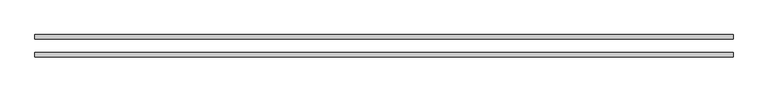
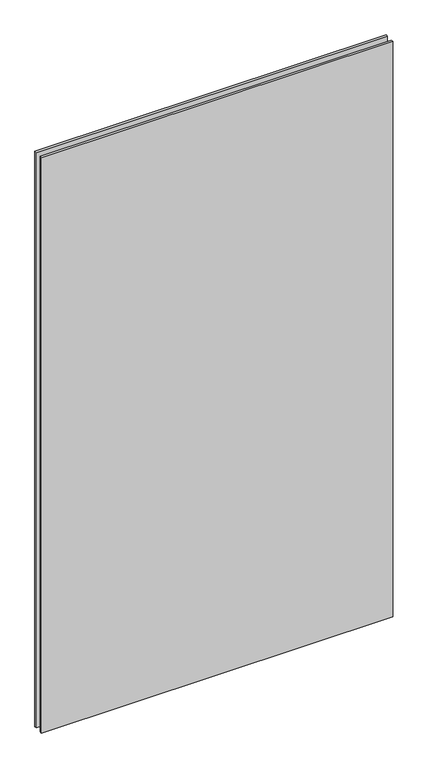
"""IFC4 building model written with IfcOpenShell, lengths in millimetres: plate geometry."""

from ifc_helpers import new_model, si_unit, origin, origin_with_axes, place, context, project, spatial, polyline, outline, extrude, source, transform, mapped, element, save


def plate_7201f238(model_context):
    return source(origin(), model_context, "Body", "SweptSolid", [
        extrude(outline(polyline([(625.0, -48.3), (-625.0, -48.3), (-625.0, -40.3), (625.0, -40.3), (625.0, -48.3)])), origin_with_axes(), (0.0, 0.0, 1.0), 2165.0),
        extrude(outline(polyline([(625.0, -16.3), (-625.0, -16.3), (-625.0, -8.3), (625.0, -8.3), (625.0, -16.3)])), origin_with_axes(), (0.0, 0.0, 1.0), 2165.0),
    ])


if __name__ == "__main__":
    model = new_model("IFC4")
    model_context = context("Model", 3, world=origin())
    ifc_project = project(units=[si_unit("LENGTHUNIT", "METRE", prefix="MILLI")], contexts=[model_context])
    site = spatial("IfcSite", under=ifc_project)
    building = spatial("IfcBuilding", under=site)
    placement = place(None, origin())
    plate_shape = plate_7201f238(model_context)
    element("IfcPlate", 1, at=placement, inside=building, context=model_context, shape_type="MappedRepresentation", body=[
        mapped(plate_shape, transform((0.0, 0.0, 0.0), x_axis=(1.0, 0.0, 0.0), y_axis=(0.0, 1.0, 0.0), z_axis=(0.0, 0.0, 1.0))),
    ])
    save(model, "model.ifc")
